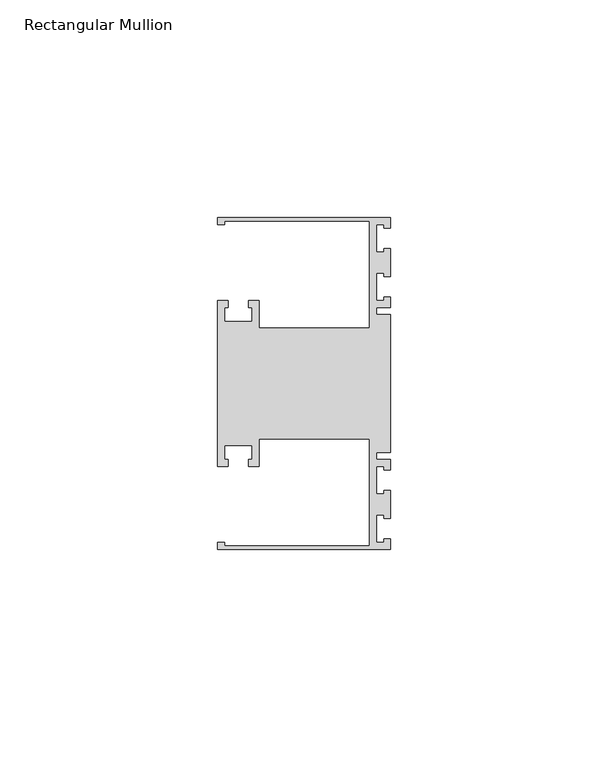
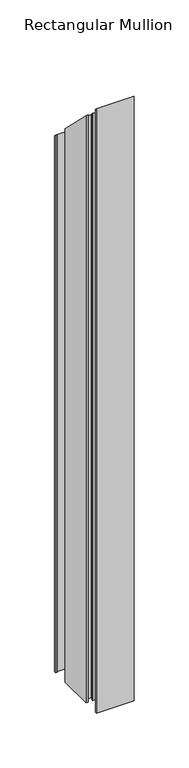
"""IFC4 building model written with IfcOpenShell, lengths in millimetres: member geometry, Rectangular Mullion."""

from ifc_helpers import new_model, si_unit, origin, place, context, project, spatial, faceted_brep, source, transform, mapped, element, save


def rectangular_mullion_c4bd20cc(model_context):
    return source(origin(), model_context, "Body", "Brep", [
        faceted_brep([(0.0, -38.1, -635.0), (-39.6875, -38.1, -635.0), (-39.6875, -36.5125, -635.0), (-38.1, -36.5125, -635.0), (-38.1, -37.30625, -635.0), (-4.7625, -37.30625, -635.0), (-4.7625, -12.7, -635.0), (-30.1625, -12.7, -635.0), (-30.1625, -19.05, -635.0), (-32.54375, -19.05, -635.0), (-32.54375, -17.4625, -635.0), (-31.75, -17.4625, -635.0), (-31.75, -14.2875, -635.0), (-38.1, -14.2875, -635.0), (-38.1, -17.4625, -635.0), (-37.30625, -17.4625, -635.0), (-37.30625, -19.05, -635.0), (-39.6875, -19.05, -635.0), (-39.6875, 19.05, -635.0), (-37.30625, 19.05, -635.0), (-37.30625, 17.4625, -635.0), (-38.1, 17.4625, -635.0), (-38.1, 14.2875, -635.0), (-31.75, 14.2875, -635.0), (-31.75, 17.4625, -635.0), (-32.54375, 17.4625, -635.0), (-32.54375, 19.05, -635.0), (-30.1625, 19.05, -635.0), (-30.1625, 12.7, -635.0), (-4.7625, 12.7, -635.0), (-4.7625, 37.30625, -635.0), (-38.1, 37.30625, -635.0), (-38.1, 36.5125, -635.0), (-39.6875, 36.5125, -635.0), (-39.6875, 38.1, -635.0), (0.0, 38.1, -635.0), (0.0, 35.71875, -635.0), (-1.4999946, 35.71875, -635.0), (-1.4999946, 36.5125, -635.0), (-3.175, 36.5125, -635.0), (-3.175, 30.1625, -635.0), (-1.4999946, 30.1625, -635.0), (-1.4999946, 30.95625, -635.0), (0.0, 30.95625, -635.0), (0.0, 24.60625, -635.0), (-1.4999946, 24.60625, -635.0), (-1.4999946, 25.4, -635.0), (-3.175, 25.4, -635.0), (-3.175, 19.05, -635.0), (-1.4999946, 19.05, -635.0), (-1.4999946, 19.84375, -635.0), (0.0, 19.84375, -635.0), (0.0, 17.4625, -635.0), (-3.175, 17.4625, -635.0), (-3.175, 15.875, -635.0), (0.0, 15.875, -635.0), (0.0, -15.875, -635.0), (-3.175, -15.875, -635.0), (-3.175, -17.4625, -635.0), (0.0, -17.4625, -635.0), (0.0, -19.84375, -635.0), (-1.4999946, -19.84375, -635.0), (-1.4999946, -19.05, -635.0), (-3.175, -19.05, -635.0), (-3.175, -25.4, -635.0), (-1.4999946, -25.4, -635.0), (-1.4999946, -24.60625, -635.0), (0.0, -24.60625, -635.0), (0.0, -30.95625, -635.0), (-1.4999946, -30.95625, -635.0), (-1.4999946, -30.1625, -635.0), (-3.175, -30.1625, -635.0), (-3.175, -36.5125, -635.0), (-1.4999946, -36.5125, -635.0), (-1.4999946, -35.71875, -635.0), (0.0, -35.71875, -635.0), (0.0, -35.71875, 35.71875), (0.0, -38.1, 38.1), (-1.4999946, -35.71875, 35.71875), (-1.4999946, -36.5125, 36.5125), (-3.175, -36.5125, 36.5125), (-3.175, -30.1625, 30.1625), (-1.4999946, -30.1625, 30.1625), (-1.4999946, -30.95625, 30.95625), (0.0, -30.95625, 30.95625), (0.0, -24.60625, 24.60625), (-1.4999946, -24.60625, 24.60625), (-1.4999946, -25.4, 25.4), (-3.175, -25.4, 25.4), (-3.175, -19.05, 19.05), (-1.4999946, -19.05, 19.05), (-1.4999946, -19.84375, 19.84375), (0.0, -19.84375, 19.84375), (0.0, -17.4625, 17.4625), (-3.175, -17.4625, 17.4625), (-3.175, -15.875, 15.875), (0.0, -15.875, 15.875), (0.0, 15.875, -15.875), (-3.175, 15.875, -15.875), (-3.175, 17.4625, -17.4625), (0.0, 17.4625, -17.4625), (0.0, 19.84375, -19.84375), (-1.4999946, 19.84375, -19.84375), (-1.4999946, 19.05, -19.05), (-3.175, 19.05, -19.05), (-3.175, 25.4, -25.4), (-1.4999946, 25.4, -25.4), (-1.4999946, 24.60625, -24.60625), (0.0, 24.60625, -24.60625), (0.0, 30.95625, -30.95625), (-1.4999946, 30.95625, -30.95625), (-1.4999946, 30.1625, -30.1625), (-3.175, 30.1625, -30.1625), (-3.175, 36.5125, -36.5125), (-1.4999946, 36.5125, -36.5125), (-1.4999946, 35.71875, -35.71875), (0.0, 35.71875, -35.71875), (0.0, 38.1, -38.1), (-39.6875, 38.1, -38.1), (-39.6875, 36.5125, -36.5125), (-38.1, 36.5125, -36.5125), (-38.1, 37.30625, -37.30625), (-4.7625, 37.30625, -37.30625), (-4.7625, 12.7, -12.7), (-30.1625, 12.7, -12.7), (-30.1625, 19.05, -19.05), (-32.54375, 19.05, -19.05), (-32.54375, 17.4625, -17.4625), (-31.75, 17.4625, -17.4625), (-31.75, 14.2875, -14.2875), (-38.1, 14.2875, -14.2875), (-38.1, 17.4625, -17.4625), (-37.30625, 17.4625, -17.4625), (-37.30625, 19.05, -19.05), (-39.6875, 19.05, -19.05), (-39.6875, -19.05, 19.05), (-37.30625, -19.05, 19.05), (-37.30625, -17.4625, 17.4625), (-38.1, -17.4625, 17.4625), (-38.1, -14.2875, 14.2875), (-31.75, -14.2875, 14.2875), (-31.75, -17.4625, 17.4625), (-32.54375, -17.4625, 17.4625), (-32.54375, -19.05, 19.05), (-30.1625, -19.05, 19.05), (-30.1625, -12.7, 12.7), (-4.7625, -12.7, 12.7), (-4.7625, -37.30625, 37.30625), (-38.1, -37.30625, 37.30625), (-38.1, -36.5125, 36.5125), (-39.6875, -36.5125, 36.5125), (-39.6875, -38.1, 38.1)], [[[0, 1, 2, 3, 4, 5, 6, 7, 8, 9, 10, 11, 12, 13, 14, 15, 16, 17, 18, 19, 20, 21, 22, 23, 24, 25, 26, 27, 28, 29, 30, 31, 32, 33, 34, 35, 36, 37, 38, 39, 40, 41, 42, 43, 44, 45, 46, 47, 48, 49, 50, 51, 52, 53, 54, 55, 56, 57, 58, 59, 60, 61, 62, 63, 64, 65, 66, 67, 68, 69, 70, 71, 72, 73, 74, 75]], [[76, 77, 0, 75]], [[78, 76, 75, 74]], [[79, 78, 74, 73]], [[80, 79, 73, 72]], [[81, 80, 72, 71]], [[82, 81, 71, 70]], [[83, 82, 70, 69]], [[84, 83, 69, 68]], [[85, 84, 68, 67]], [[86, 85, 67, 66]], [[87, 86, 66, 65]], [[88, 87, 65, 64]], [[89, 88, 64, 63]], [[90, 89, 63, 62]], [[91, 90, 62, 61]], [[92, 91, 61, 60]], [[93, 92, 60, 59]], [[94, 93, 59, 58]], [[95, 94, 58, 57]], [[96, 95, 57, 56]], [[97, 96, 56, 55]], [[98, 97, 55, 54]], [[99, 98, 54, 53]], [[100, 99, 53, 52]], [[101, 100, 52, 51]], [[102, 101, 51, 50]], [[103, 102, 50, 49]], [[104, 103, 49, 48]], [[105, 104, 48, 47]], [[106, 105, 47, 46]], [[107, 106, 46, 45]], [[108, 107, 45, 44]], [[109, 108, 44, 43]], [[110, 109, 43, 42]], [[111, 110, 42, 41]], [[112, 111, 41, 40]], [[113, 112, 40, 39]], [[114, 113, 39, 38]], [[115, 114, 38, 37]], [[116, 115, 37, 36]], [[117, 116, 36, 35]], [[118, 117, 35, 34]], [[119, 118, 34, 33]], [[120, 119, 33, 32]], [[121, 120, 32, 31]], [[122, 121, 31, 30]], [[123, 122, 30, 29]], [[124, 123, 29, 28]], [[125, 124, 28, 27]], [[126, 125, 27, 26]], [[127, 126, 26, 25]], [[128, 127, 25, 24]], [[129, 128, 24, 23]], [[130, 129, 23, 22]], [[131, 130, 22, 21]], [[132, 131, 21, 20]], [[133, 132, 20, 19]], [[134, 133, 19, 18]], [[135, 134, 18, 17]], [[136, 135, 17, 16]], [[137, 136, 16, 15]], [[138, 137, 15, 14]], [[139, 138, 14, 13]], [[140, 139, 13, 12]], [[141, 140, 12, 11]], [[142, 141, 11, 10]], [[143, 142, 10, 9]], [[144, 143, 9, 8]], [[145, 144, 8, 7]], [[146, 145, 7, 6]], [[147, 146, 6, 5]], [[148, 147, 5, 4]], [[149, 148, 4, 3]], [[150, 149, 3, 2]], [[151, 150, 2, 1]], [[77, 151, 1, 0]], [[77, 76, 78, 79, 80, 81, 82, 83, 84, 85, 86, 87, 88, 89, 90, 91, 92, 93, 94, 95, 96, 97, 98, 99, 100, 101, 102, 103, 104, 105, 106, 107, 108, 109, 110, 111, 112, 113, 114, 115, 116, 117, 118, 119, 120, 121, 122, 123, 124, 125, 126, 127, 128, 129, 130, 131, 132, 133, 134, 135, 136, 137, 138, 139, 140, 141, 142, 143, 144, 145, 146, 147, 148, 149, 150, 151]]]),
    ])


if __name__ == "__main__":
    model = new_model("IFC4")
    model_context = context("Model", 3, world=origin())
    ifc_project = project(units=[si_unit("LENGTHUNIT", "METRE", prefix="MILLI")], contexts=[model_context])
    site = spatial("IfcSite", under=ifc_project)
    building = spatial("IfcBuilding", under=site)
    placement = place(None, origin())
    rectangular_mullion_shape = rectangular_mullion_c4bd20cc(model_context)
    element("IfcMember", 1, ObjectType="Rectangular Mullion", at=placement, inside=building, context=model_context, shape_type="MappedRepresentation", body=[
        mapped(rectangular_mullion_shape, transform((0.0, 0.0, 0.0), x_axis=(1.0, 0.0, 0.0), y_axis=(0.0, 1.0, 0.0), z_axis=(0.0, 0.0, 1.0))),
    ])
    save(model, "model.ifc")
